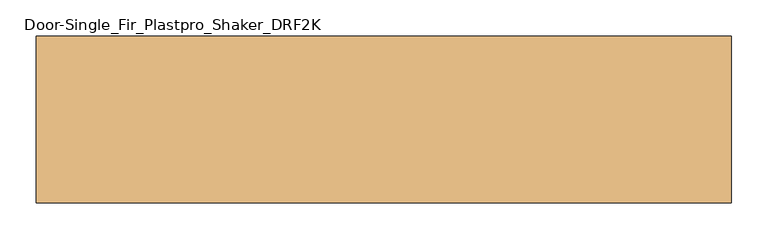
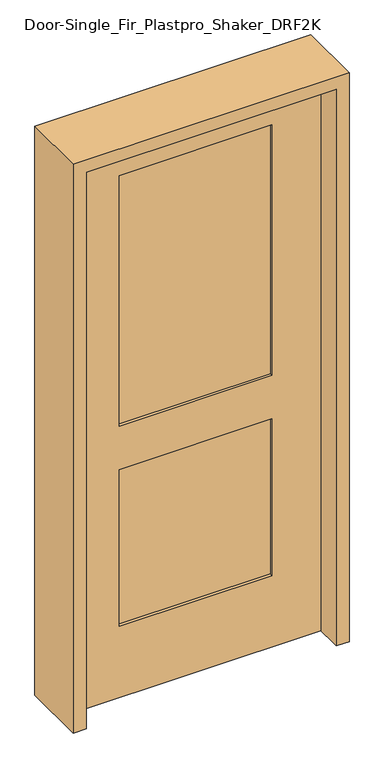
"""IFC4 building model written with IfcOpenShell, lengths in millimetres: door geometry, Door-Single_Fir_Plastpro_Shaker_DRF2K."""

from ifc_helpers import new_model, si_unit, frame, origin, place, context, project, spatial, polyline, outline, extrude, source, transform, mapped, element, save


def door_single_fir_plastpro_shaker_drf2k_ea9d8d12(model_context):
    return source(origin(), model_context, "Body", "SweptSolid", [
        extrude(outline(polyline([(2032.0, 431.8), (2032.0, -431.8), (0.0, -431.8), (0.0, 431.8), (2032.0, 431.8)]), holes=[polyline([(831.85, 263.525), (260.35, 263.525), (260.35, -263.525), (831.85, -263.525), (831.85, 263.525)]), polyline([(1905.0, -263.525), (1905.0, 263.525), (990.6, 263.525), (990.6, -263.525), (1905.0, -263.525)])]), frame((0.0, -22.225, 0.0), z_axis=(0.0, 1.0, 0.0), x_axis=(0.0, 0.0, 1.0)), (0.0, 0.0, 1.0), 44.45),
        extrude(outline(polyline([(-263.525, -12.7), (-263.525, 14.2875), (263.525, 14.2875), (263.525, -12.7), (-263.525, -12.7)])), frame((0.0, 0.0, 990.6), z_axis=(0.0, 0.0, 1.0), x_axis=(1.0, 0.0, 0.0)), (0.0, 0.0, 1.0), 914.4),
        extrude(outline(polyline([(-263.525, -12.7), (-263.525, 14.2875), (263.525, 14.2875), (263.525, -12.7), (-263.525, -12.7)])), frame((0.0, 0.0, 260.35), z_axis=(0.0, 0.0, 1.0), x_axis=(1.0, 0.0, 0.0)), (0.0, 0.0, 1.0), 571.5),
        extrude(outline(polyline([(0.0, 431.8), (0.0, 476.25), (2076.45, 476.25), (2076.45, -476.25), (0.0, -476.25), (0.0, -431.8), (2032.0, -431.8), (2032.0, 431.8), (0.0, 431.8)])), frame((0.0, -114.3, 0.0), z_axis=(0.0, 1.0, 0.0), x_axis=(0.0, 0.0, 1.0)), (0.0, 0.0, 1.0), 228.6),
    ])


if __name__ == "__main__":
    model = new_model("IFC4")
    model_context = context("Model", 3, world=origin())
    ifc_project = project(units=[si_unit("LENGTHUNIT", "METRE", prefix="MILLI")], contexts=[model_context])
    site = spatial("IfcSite", under=ifc_project)
    building = spatial("IfcBuilding", under=site)
    placement = place(None, origin())
    door_single_fir_plastpro_shaker_drf2k_shape = door_single_fir_plastpro_shaker_drf2k_ea9d8d12(model_context)
    element("IfcDoor", 1, ObjectType="Door-Single_Fir_Plastpro_Shaker_DRF2K", at=placement, inside=building, context=model_context, shape_type="MappedRepresentation", body=[
        mapped(door_single_fir_plastpro_shaker_drf2k_shape, transform((0.0, 0.0, 0.0), x_axis=(1.0, 0.0, 0.0), y_axis=(0.0, 1.0, 0.0), z_axis=(0.0, 0.0, 1.0))),
    ])
    save(model, "model.ifc")
